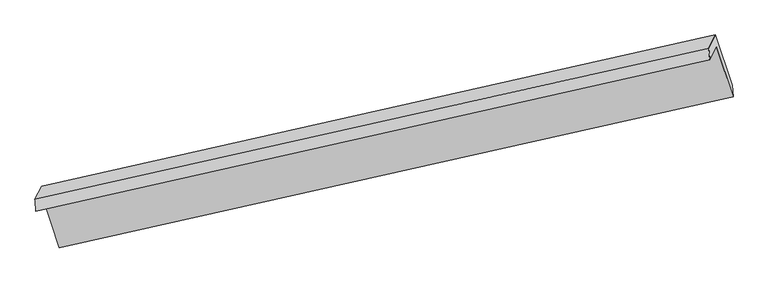
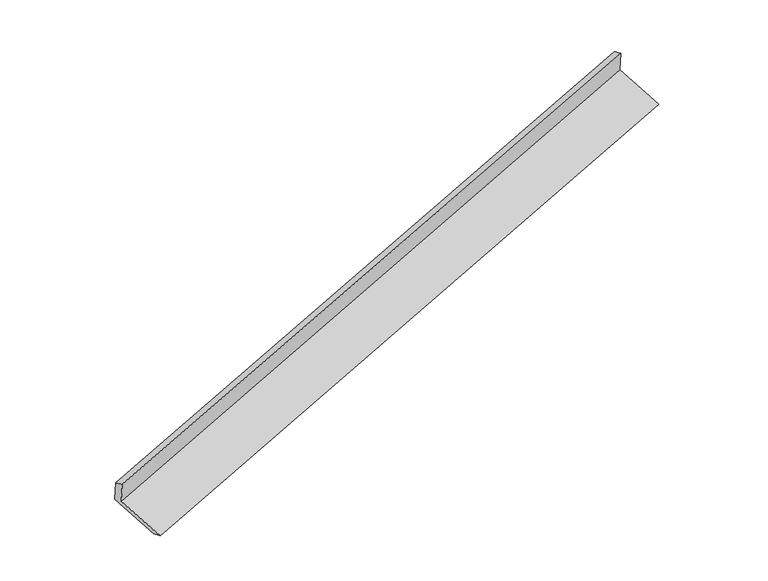
"""IFC4 building model written with IfcOpenShell, lengths in millimetres: proxy geometry."""

from ifc_helpers import new_model, si_unit, frame, origin, place, context, project, spatial, source, transform, mapped, element, save
from ifc_brep_helpers import plane_surface, spline_surface, advanced_brep


def generic_models_7d7e2886(model_context):
    return source(origin(), model_context, "Body", "AdvancedBrep", [
        advanced_brep(
        [(-7437.5326904, -2477.7189001, 939.5624098), (-7346.6748635, -2296.533821, 517.0230993), (1551.9585794, -302.0760138, 3280.158428), (1464.9782702, -475.5287009, 3684.66513), (-7450.3748313, -2323.4525001, 871.8510246), (1450.1973704, -325.1284969, 3625.970049), (-7362.763934, -2148.7423193, 464.4117381), (1537.8082678, -150.4183161, 3218.5307626), (-7142.8027791, -2816.5607372, 225.3486786), (1757.7694226, -818.236734, 2979.4677031), (-7126.7137086, -2964.3522389, 277.9600398), (1771.9197343, -969.8944317, 3041.0953686)],
        [
            (0, 1),
            (1, 2),
            (2, 3),
            (3, 0),
            (4, 0),
            (3, 5),
            (5, 4),
            (6, 4),
            (5, 7),
            (7, 6),
            (8, 6),
            (7, 9),
            (9, 8),
            (10, 8),
            (9, 11),
            (11, 10),
            (1, 10),
            (11, 2),
        ],
        [
            plane_surface(frame((-7392.1037769, -2387.1263606, 728.2927546), z_axis=(0.3008290432049642, -0.8982206615149446, -0.32047079428871705), x_axis=(0.19387588127417738, 0.38661960213503066, -0.9016304264526079))),
            spline_surface(1, 1, [[(-7450.3748313, -2323.4525001, 871.8510246), (1450.1973704, -325.1284969, 3625.970049)], [(-7437.5326904, -2477.7189001, 939.5624098), (1464.9782702, -475.5287009, 3684.66513)]], [2, 2], [2, 2], [0.0, 1.0], [0.0, 1.0]),
            plane_surface(frame((-7406.5693826, -2236.0974097, 668.1313814), z_axis=(-0.3008290432049579, 0.8982206615149575, 0.320470794288687), x_axis=(-0.1938758812741797, -0.38661960213499913, 0.901630426452621))),
            plane_surface(frame((-7252.7833565, -2482.6515283, 344.8802084), z_axis=(0.19240338709587776, 0.38629697875712465, -0.9020840209410382), x_axis=(-0.29618777669447693, 0.8992481084224103, 0.3219093668029864))),
            spline_surface(1, 1, [[(-7126.7137086, -2964.3522389, 277.9600398), (1771.9197343, -969.8944317, 3041.0953686)], [(-7142.8027791, -2816.5607372, 225.3486786), (1757.7694226, -818.236734, 2979.4677031)]], [2, 2], [2, 2], [0.0, 1.0], [0.0, 1.0]),
            plane_surface(frame((-7236.6942861, -2630.44303, 397.4915696), z_axis=(-0.19338510272289672, -0.38651216734307836, 0.9017818730383811), x_axis=(0.2961877766944535, -0.8992481084224205, -0.3219093668029794))),
            plane_surface(frame((1589.1052741, -506.8804489, 3304.9812402), z_axis=(0.9352459268005108, 0.2046414492317528, 0.2888545198874025), x_axis=(-0.29618777669447693, 0.8992481084224103, 0.3219093668029864))),
            plane_surface(frame((-7311.1438011, -2504.5600861, 549.3594984), z_axis=(-0.9352459268006403, -0.20464144923134578, -0.288854519887271), x_axis=(-0.19387588127418315, -0.38661960213503016, 0.9016304264526069))),
        ],
        [
            (0, [[1, 2, 3, 4]]),
            (1, [[5, -4, 6, 7]]),
            (2, [[8, -7, 9, 10]]),
            (3, [[11, -10, 12, 13]]),
            (4, [[14, -13, 15, 16]]),
            (5, [[17, -16, 18, -2]]),
            (6, [[-12, -9, -6, -3, -18, -15]]),
            (7, [[-1, -5, -8, -11, -14, -17]]),
        ],
    ),
    ])


if __name__ == "__main__":
    model = new_model("IFC4")
    model_context = context("Model", 3, world=origin())
    ifc_project = project(units=[si_unit("LENGTHUNIT", "METRE", prefix="MILLI")], contexts=[model_context])
    site = spatial("IfcSite", under=ifc_project)
    building = spatial("IfcBuilding", under=site)
    placement = place(None, origin())
    generic_models_shape = generic_models_7d7e2886(model_context)
    element("IfcBuildingElementProxy", 1, Name="Generic Models", at=placement, inside=building, context=model_context, shape_type="MappedRepresentation", body=[
        mapped(generic_models_shape, transform((0.0, 0.0, 0.0), x_axis=(1.0, 0.0, 0.0), y_axis=(0.0, 1.0, 0.0), z_axis=(0.0, 0.0, 1.0))),
    ])
    save(model, "model.ifc")
